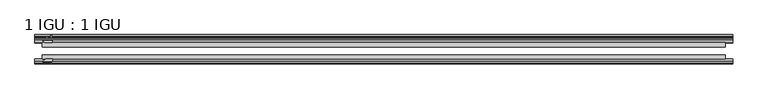
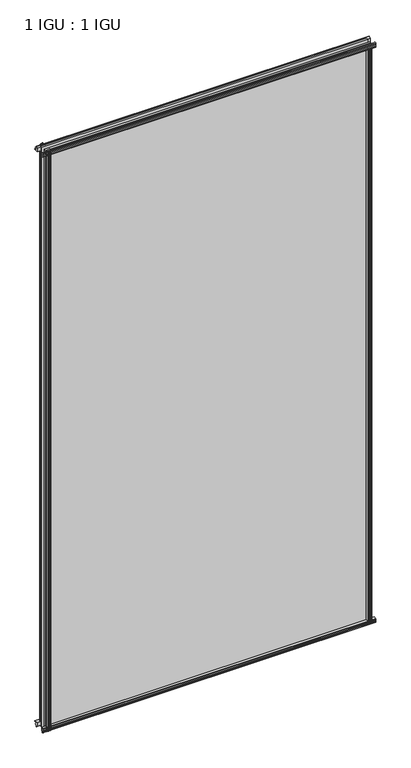
"""IFC4 building model written with IfcOpenShell, lengths in millimetres: plate geometry, 1 IGU : 1 IGU."""

from ifc_helpers import new_model, si_unit, point, frame, frame_2d, origin, origin_with_axes, place, context, project, spatial, polyline, circle_curve, trimmed, segment, composite_curve, outline, extrude, source, transform, mapped, element, save


def plate_1_igu_1_igu_d8be0c1b(model_context):
    return source(origin(), model_context, "Body", "SweptSolid", [
        extrude(outline(polyline([(-24.9039062, 2.5763839), (-12.2039062, 1.5739665), (-12.2039062, 0.0), (-18.5539062, 0.0), (-18.5539062, -4.953), (-16.254502, -5.5691235), (-16.6301757, -4.1670901), (-15.7714677, -3.937), (-15.1249062, -6.35), (-15.7714677, -8.763), (-16.6301757, -8.5329099), (-16.254502, -7.1308765), (-18.5539062, -7.747), (-18.5539062, -12.7), (-20.5859062, -12.7), (-24.9039062, -9.1036931), (-24.9039062, 2.5763839)])), frame((-547.3345182, 0.0, 0.0), z_axis=(1.0, 0.0, 0.0), x_axis=(0.0, 1.0, 0.0)), (0.0, 0.0, 1.0), 1096.3557551),
        extrude(outline(composite_curve([segment(polyline([(-58.2287402, 1.5687054), (-50.3039062, 3.0983599), (-50.3039062, -7.92383), (-54.4858806, -12.1058044)]), True, "CONTINUOUS"), segment(trimmed(circle_curve(frame_2d((-55.3839062, -11.2077788)), 1.27), [point((-54.4858806, -12.1058044))], [point((-56.6539062, -11.2077788))], False, "CARTESIAN"), True, "CONTINUOUS"), segment(polyline([(-56.6539062, -11.2077788), (-56.6539062, -8.0327788), (-58.1332022, -5.4488186), (-56.6539062, -5.1879788), (-56.6539062, 0.2222212), (-58.2287402, 0.0), (-58.2287402, 1.5687054)]), True, "CONTINUOUS")], self_intersect=False)), frame((-547.3345182, 0.0, 0.0), z_axis=(1.0, 0.0, 0.0), x_axis=(0.0, 1.0, 0.0)), (0.0, 0.0, 1.0), 1096.3557551),
        extrude(outline(polyline([(-18.5539063, 2001.656525), (-16.254502, 2001.0404015), (-16.6301757, 2002.4424349), (-15.7714677, 2002.672525), (-15.1249063, 2000.259525), (-15.7714677, 1997.846525), (-16.6301757, 1998.0766151), (-16.254502, 1999.4786485), (-18.5539063, 1998.862525), (-18.5539063, 1993.909525), (-12.2039062, 1993.909525), (-12.2039062, 1992.3355585), (-24.9039063, 1991.3331411), (-24.9039063, 2003.0132181), (-20.5859063, 2006.609525), (-18.5539063, 2006.609525), (-18.5539063, 2001.656525)])), frame((-547.3345182, 0.0, 0.0), z_axis=(1.0, 0.0, 0.0), x_axis=(0.0, 1.0, 0.0)), (0.0, 0.0, 1.0), 1096.3557551),
        extrude(outline(composite_curve([segment(polyline([(-50.3039063, 2001.833355), (-50.3039063, 1990.8111651), (-58.2287402, 1992.3408196), (-58.2287402, 1993.909525), (-56.6539063, 1993.6873038), (-56.6539063, 1999.0975038), (-58.1332023, 1999.3583436), (-56.6539063, 2001.9423038), (-56.6539063, 2005.1173038)]), True, "CONTINUOUS"), segment(trimmed(circle_curve(frame_2d((-55.3839063, 2005.1173038)), 1.27), [point((-56.6539063, 2005.1173038))], [point((-54.4858806, 2006.0153294))], False, "CARTESIAN"), True, "CONTINUOUS"), segment(polyline([(-54.4858806, 2006.0153294), (-50.3039063, 2001.833355)]), True, "CONTINUOUS")], self_intersect=False)), frame((-547.3345182, 0.0, 0.0), z_axis=(1.0, 0.0, 0.0), x_axis=(0.0, 1.0, 0.0)), (0.0, 0.0, 1.0), 1096.3557551),
        extrude(outline(composite_curve([segment(polyline([(522.7283929, -57.3876965), (521.361077, -50.3039063), (532.3832669, -50.3039063), (536.5652413, -54.4858806)]), True, "CONTINUOUS"), segment(trimmed(circle_curve(frame_2d((535.6672157, -55.3839063)), 1.27), [point((536.5652413, -54.4858806))], [point((535.6672157, -56.6539063))], False, "CARTESIAN"), True, "CONTINUOUS"), segment(polyline([(535.6672157, -56.6539063), (532.4922157, -56.6539063), (529.9082555, -58.1332023), (529.6474157, -56.6539063), (524.2372157, -56.6539063), (524.4594369, -58.2287402), (523.4951162, -58.2014026)]), True, "CONTINUOUS"), segment(trimmed(circle_curve(frame_2d((523.7292157, -57.2127402)), 1.016), [point((523.4951162, -58.2014026))], [point((522.7283929, -57.3876965))], False, "CARTESIAN"), True, "CONTINUOUS")], self_intersect=False)), origin_with_axes(), (0.0, 0.0, 1.0), 1994.3064),
        extrude(outline(polyline([(529.4124369, -18.5539063), (530.0285604, -16.254502), (528.6265271, -16.6301757), (528.3964369, -15.7714677), (530.8094369, -15.1249063), (533.2224369, -15.7714677), (532.9923468, -16.6301757), (531.5903134, -16.254502), (532.2064369, -18.5539063), (537.1594369, -18.5539063), (537.1594369, -20.5859063), (533.56313, -24.9039063), (521.883053, -24.9039063), (522.8854704, -12.2039063), (524.4594369, -12.2039063), (524.4594369, -18.5539063), (529.4124369, -18.5539063)])), origin_with_axes(), (0.0, 0.0, 1.0), 1994.3064),
        extrude(outline(composite_curve([segment(polyline([(-530.805497, -56.6539062), (-533.980497, -56.6539062)]), True, "CONTINUOUS"), segment(trimmed(circle_curve(frame_2d((-533.980497, -55.3839062)), 1.27), [point((-533.980497, -56.6539062))], [point((-534.8785226, -54.4858806))], False, "CARTESIAN"), True, "CONTINUOUS"), segment(polyline([(-534.8785226, -54.4858806), (-530.6965482, -50.3039062), (-527.0270027, -50.3039062)]), True, "CONTINUOUS"), segment(trimmed(circle_curve(frame_2d((-524.963497, -46.3669062)), 4.445), [point((-527.0270027, -50.3039062))], [point((-522.8999912, -50.3039062))], True, "CARTESIAN"), True, "CONTINUOUS"), segment(polyline([(-522.8999912, -50.3039062), (-519.6743583, -50.3039062), (-521.2040127, -58.2287402), (-522.7727182, -58.2287402), (-522.550497, -56.6539062), (-527.960697, -56.6539062), (-528.2215368, -58.1332022), (-530.805497, -56.6539062)]), True, "CONTINUOUS")], self_intersect=False)), frame((0.0, 0.0, -12.7), z_axis=(0.0, 0.0, 1.0), x_axis=(1.0, 0.0, 0.0)), (0.0, 0.0, 1.0), 2019.309525),
        extrude(outline(polyline([(-520.1963343, -24.9039062), (-531.8764113, -24.9039062), (-535.4727182, -20.5859062), (-535.4727182, -18.5539062), (-530.5197182, -18.5539062), (-529.9035947, -16.254502), (-531.305628, -16.6301757), (-531.5357182, -15.7714677), (-529.1227182, -15.1249062), (-526.7097182, -15.7714677), (-526.9398083, -16.6301757), (-528.3418417, -16.254502), (-527.7257182, -18.5539062), (-522.7727182, -18.5539062), (-522.7727182, -12.2039062), (-521.1987516, -12.2039062), (-520.1963343, -24.9039062)])), frame((0.0, 0.0, -12.7), z_axis=(0.0, 0.0, 1.0), x_axis=(1.0, 0.0, 0.0)), (0.0, 0.0, 1.0), 2019.309525),
        extrude(outline(polyline([(537.1594369, -24.9039062), (537.1594369, -31.2031063), (-535.4727182, -31.2031063), (-535.4727182, -24.9039062), (537.1594369, -24.9039062)])), frame((0.0, 0.0, -12.7), z_axis=(0.0, 0.0, 1.0), x_axis=(1.0, 0.0, 0.0)), (0.0, 0.0, 1.0), 2019.309525),
        extrude(outline(polyline([(-535.4727182, -44.0047063), (537.1594369, -44.0047063), (537.1594369, -50.3039062), (-535.4727182, -50.3039062), (-535.4727182, -44.0047063)])), frame((0.0, 0.0, -12.7), z_axis=(0.0, 0.0, 1.0), x_axis=(1.0, 0.0, 0.0)), (0.0, 0.0, 1.0), 2019.309525),
    ])


if __name__ == "__main__":
    model = new_model("IFC4")
    model_context = context("Model", 3, world=origin())
    ifc_project = project(units=[si_unit("LENGTHUNIT", "METRE", prefix="MILLI")], contexts=[model_context])
    site = spatial("IfcSite", under=ifc_project)
    building = spatial("IfcBuilding", under=site)
    placement = place(None, origin())
    plate_1_igu_1_igu_shape = plate_1_igu_1_igu_d8be0c1b(model_context)
    element("IfcPlate", 1, ObjectType="1 IGU : 1 IGU", at=placement, inside=building, context=model_context, shape_type="MappedRepresentation", body=[
        mapped(plate_1_igu_1_igu_shape, transform((0.0, 0.0, 0.0), x_axis=(1.0, 0.0, 0.0), y_axis=(0.0, 1.0, 0.0), z_axis=(0.0, 0.0, 1.0))),
    ])
    save(model, "model.ifc")
